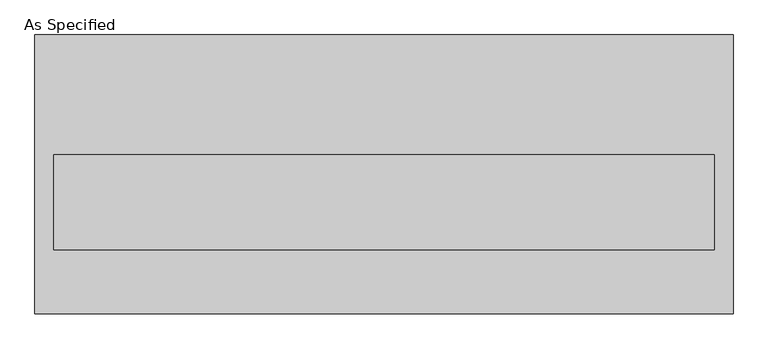
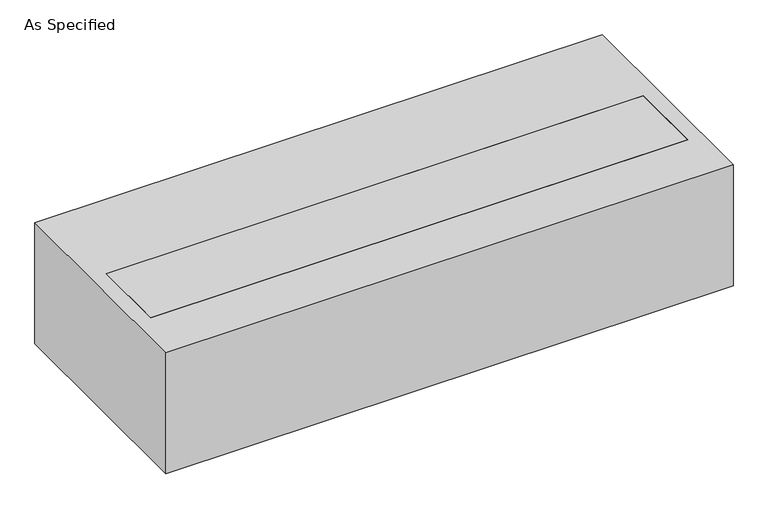
"""IFC4 building model written with IfcOpenShell, lengths in millimetres: proxy geometry, As Specified."""

from ifc_helpers import new_model, si_unit, frame, origin, place, context, project, spatial, polyline, outline, extrude, source, transform, mapped, element, save


def as_specified_d874a757(model_context):
    return source(origin(), model_context, "Body", "SweptSolid", [
        extrude(outline(polyline([(1120.775, 447.675), (1120.775, -447.675), (-1120.775, -447.675), (-1120.775, 447.675), (1120.775, 447.675)]), holes=[polyline([(1060.45, 63.5), (-1060.45, 63.5), (-1060.45, -241.3), (1060.45, -241.3), (1060.45, 63.5)])]), frame((0.0, 0.0, -530.225), z_axis=(0.0, 0.0, 1.0), x_axis=(1.0, 0.0, 0.0)), (0.0, 0.0, 1.0), 504.825),
        extrude(outline(polyline([(1060.45, 63.5), (1060.45, -241.3), (-1060.45, -241.3), (-1060.45, 63.5), (1060.45, 63.5)])), frame((0.0, 0.0, -530.225), z_axis=(0.0, 0.0, 1.0), x_axis=(1.0, 0.0, 0.0)), (0.0, 0.0, 1.0), 504.825),
    ])


if __name__ == "__main__":
    model = new_model("IFC4")
    model_context = context("Model", 3, world=origin())
    ifc_project = project(units=[si_unit("LENGTHUNIT", "METRE", prefix="MILLI")], contexts=[model_context])
    site = spatial("IfcSite", under=ifc_project)
    building = spatial("IfcBuilding", under=site)
    placement = place(None, origin())
    as_specified_shape = as_specified_d874a757(model_context)
    element("IfcBuildingElementProxy", 1, Name="As Specified", ObjectType="As Specified", at=placement, inside=building, context=model_context, shape_type="MappedRepresentation", body=[
        mapped(as_specified_shape, transform((0.0, 0.0, 0.0), x_axis=(1.0, 0.0, 0.0), y_axis=(0.0, 1.0, 0.0), z_axis=(0.0, 0.0, 1.0))),
    ])
    save(model, "model.ifc")
